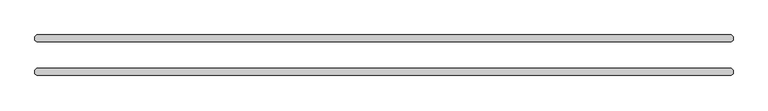
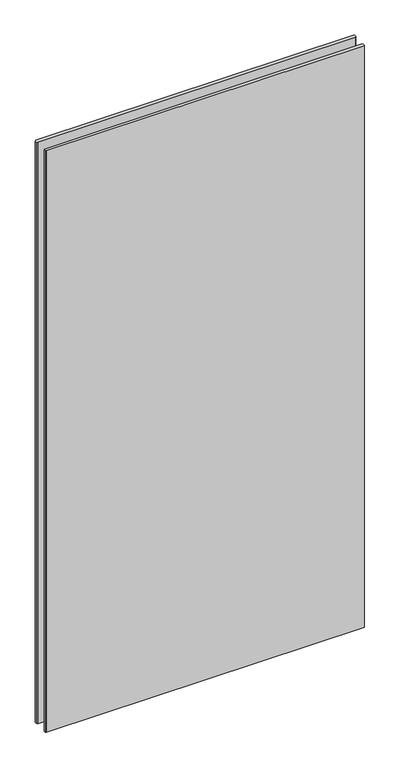
"""IFC4 building model written with IfcOpenShell, lengths in millimetres: plate geometry."""

from ifc_helpers import new_model, si_unit, origin, origin_with_axes, place, context, project, spatial, polyline, outline, extrude, source, transform, mapped, element, save


def plate_f58ed127(model_context):
    return source(origin(), model_context, "Body", "SweptSolid", [
        extrude(outline(polyline([(627.0625, 36.5125), (630.2375, 33.3375), (630.2375, 26.9875), (627.0625, 23.8125), (-627.0625, 23.8125), (-630.2375, 26.9875), (-630.2375, 33.3375), (-627.0625, 36.5125), (627.0625, 36.5125)])), origin_with_axes(), (0.0, 0.0, 1.0), 2428.7789267),
        extrude(outline(polyline([(627.0625, -23.8125), (630.2375, -26.9875), (630.2375, -33.3375), (627.0625, -36.5125), (-627.0625, -36.5125), (-630.2375, -33.3375), (-630.2375, -26.9875), (-627.0625, -23.8125), (627.0625, -23.8125)])), origin_with_axes(), (0.0, 0.0, 1.0), 2428.7789267),
    ])


if __name__ == "__main__":
    model = new_model("IFC4")
    model_context = context("Model", 3, world=origin())
    ifc_project = project(units=[si_unit("LENGTHUNIT", "METRE", prefix="MILLI")], contexts=[model_context])
    site = spatial("IfcSite", under=ifc_project)
    building = spatial("IfcBuilding", under=site)
    placement = place(None, origin())
    plate_shape = plate_f58ed127(model_context)
    element("IfcPlate", 1, at=placement, inside=building, context=model_context, shape_type="MappedRepresentation", body=[
        mapped(plate_shape, transform((0.0, 0.0, 0.0), x_axis=(1.0, 0.0, 0.0), y_axis=(0.0, 1.0, 0.0), z_axis=(0.0, 0.0, 1.0))),
    ])
    save(model, "model.ifc")
